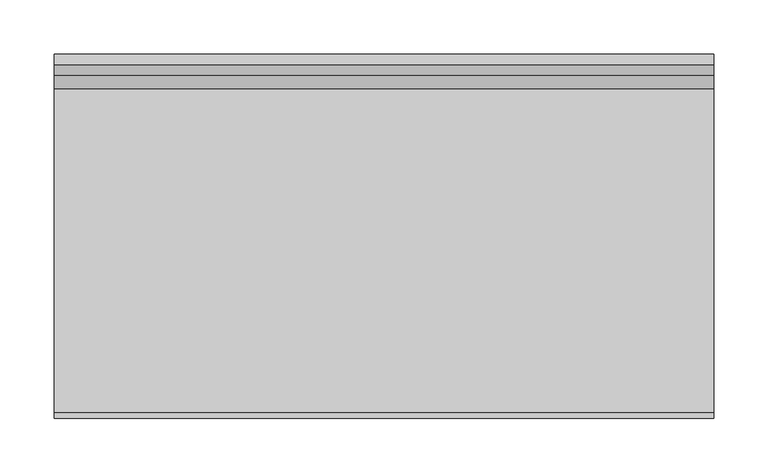
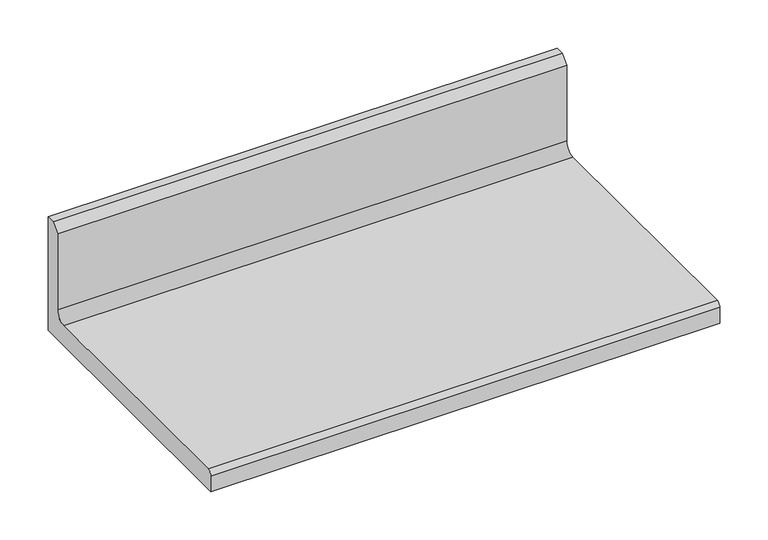
"""IFC4 building model written with IfcOpenShell, lengths in millimetres: furniture geometry."""

from ifc_helpers import new_model, si_unit, point, frame, frame_2d, origin, place, context, project, spatial, polyline, circle_curve, trimmed, segment, composite_curve, outline, extrude, source, transform, mapped, element, save


def furniture_95401985(model_context):
    return source(origin(), model_context, "Body", "SweptSolid", [
        extrude(outline(composite_curve([segment(polyline([(168.529, 1106.297), (168.529, 962.66508), (-168.529, 962.66508), (-168.529, 982.47708)]), True, "CONTINUOUS"), segment(trimmed(circle_curve(frame_2d((-162.941, 982.47708)), 5.588), [point((-168.529, 982.47708))], [point((-162.941, 988.06508))], False, "CARTESIAN"), True, "CONTINUOUS"), segment(polyline([(-162.941, 988.06508), (136.271, 988.06508)]), True, "CONTINUOUS"), segment(trimmed(circle_curve(frame_2d((136.271, 1000.76508)), 12.7), [point((136.271, 988.06508))], [point((148.971, 1000.76508))], True, "CARTESIAN"), True, "CONTINUOUS"), segment(polyline([(148.971, 1000.76508), (148.971, 1096.772), (158.496, 1106.297), (168.529, 1106.297)]), True, "CONTINUOUS")], self_intersect=False)), frame((-304.8, 0.0, 0.0), z_axis=(1.0, 0.0, 0.0), x_axis=(0.0, 1.0, 0.0)), (0.0, 0.0, 1.0), 609.6),
    ])


if __name__ == "__main__":
    model = new_model("IFC4")
    model_context = context("Model", 3, world=origin())
    ifc_project = project(units=[si_unit("LENGTHUNIT", "METRE", prefix="MILLI")], contexts=[model_context])
    site = spatial("IfcSite", under=ifc_project)
    building = spatial("IfcBuilding", under=site)
    placement = place(None, origin())
    furniture_shape = furniture_95401985(model_context)
    element("IfcFurniture", 1, at=placement, inside=building, context=model_context, shape_type="MappedRepresentation", body=[
        mapped(furniture_shape, transform((0.0, 0.0, 0.0), x_axis=(1.0, 0.0, 0.0), y_axis=(0.0, 1.0, 0.0), z_axis=(0.0, 0.0, 1.0))),
    ])
    save(model, "model.ifc")
